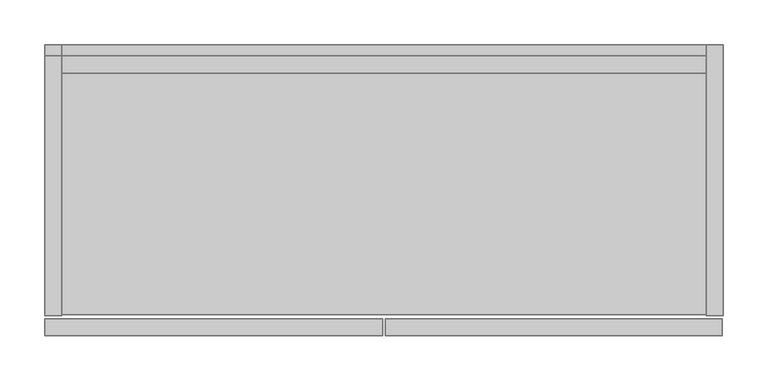
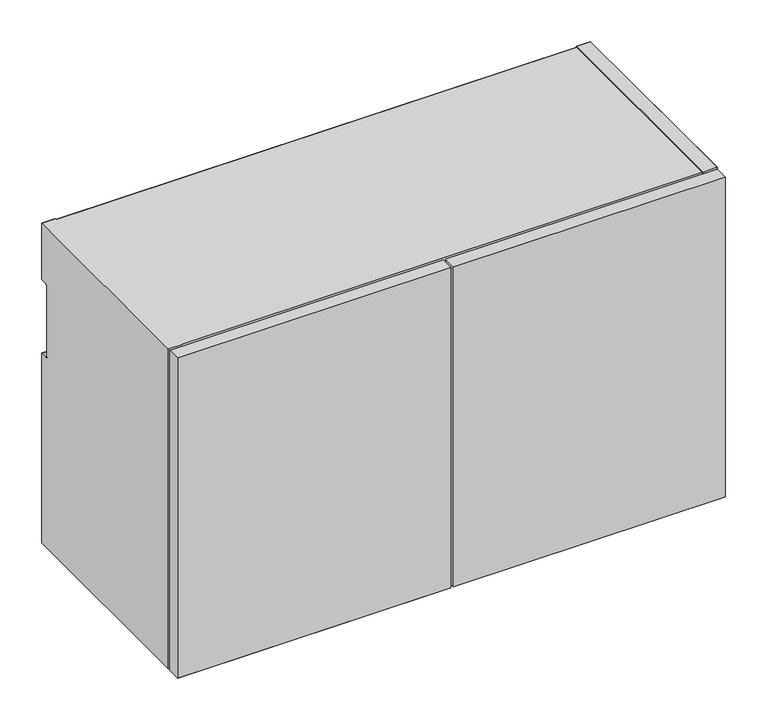
"""IFC4 building model written with IfcOpenShell, lengths in millimetres: furniture geometry."""

from ifc_helpers import new_model, si_unit, origin, place, context, project, spatial, triangles, source, transform, mapped, element, save


def furniture_0a8876ea(model_context):
    return source(origin(), model_context, "Body", "Tessellation", [
        triangles([(382.5875121, -327.0249879, 469.8999879), (382.5875121, -327.0249879, 1.21e-05), (760.4125242, -327.0249879, 469.8999879), (760.4125242, -327.0249879, 1.21e-05), (382.5875121, -307.7210063, 1.21e-05), (382.5875121, -307.7210063, 469.8999879), (760.4125242, -307.7210063, 469.8999879), (760.4125242, -307.7210063, 1.21e-05), (0.0, -327.0249879, 469.8999879), (0.0, -327.0249879, 1.21e-05), (379.4124879, -327.0249879, 1.21e-05), (379.4124879, -327.0249879, 469.8999879), (0.0, -307.7210063, 1.21e-05), (0.0, -307.7210063, 469.8999879), (379.4124879, -307.7210063, 469.8999879), (379.4124879, -307.7210063, 1.21e-05), (742.6960184, -304.5460002, 469.8999879), (742.6960184, -304.5460002, 1.21e-05), (762.0, -304.5460002, 1.21e-05), (762.0, -304.5460002, 469.8999879), (742.6960184, 0.0, 1.21e-05), (742.6960184, 0.0, 469.8999879), (762.0, 0.0, 469.8999879), (762.0, 0.0, 1.21e-05), (19.3039998, -303.0220017, 20.8279915), (19.3039998, -303.0220017, 1.5240106), (742.6960184, -303.0220017, 1.5240106), (742.6960184, -303.0220017, 20.8279915), (19.3039998, -12.7000004, 1.5240106), (19.3039998, -12.7000004, 20.8279915), (742.6960184, -12.7000004, 20.8279915), (742.6960184, -12.7000004, 1.5240106), (742.6960184, -32.003999, 20.8279915), (742.6960184, -12.7000004, 450.5960063), (742.6960184, -32.003999, 450.5960063), (19.3039998, -12.7000004, 450.5960063), (19.3039998, -32.003999, 20.8279915), (19.3039998, -32.003999, 450.5960063), (0.0, -304.5460002, 469.8999879), (0.0, -304.5460002, 1.21e-05), (19.3039998, -304.5460002, 1.21e-05), (19.3039998, -304.5460002, 469.8999879), (0.0, 0.0, 386.8419763), (0.0, 0.0, 469.8999879), (19.3039998, 0.0, 469.8999879), (19.3039998, 0.0, 386.8419763), (0.0, 0.0, 1.21e-05), (0.0, 0.0, 278.8919702), (19.3039998, 0.0, 278.8919702), (19.3039998, 0.0, 1.21e-05), (0.0, -11.1124996, 279.3173803), (0.0, -11.7700642, 279.821928), (0.0, -9.525, 278.8919702), (0.0, -10.346751, 279.0001758), (0.0, -11.1127244, 386.4167115), (0.0, -11.7701959, 385.9121638), (0.0, -9.5254485, 386.8419763), (0.0, -10.3470826, 386.7338433), (0.0, -12.5918141, 281.2452423), (0.0, -12.2746312, 280.4795187), (0.0, -12.7000004, 282.0669944), (0.0, -12.2746902, 385.2547185), (0.0, -12.59183, 384.4890676), (0.0, -12.7000004, 383.6674607), (19.3039998, -11.1127244, 386.4167115), (19.3039998, -11.7701959, 385.9121638), (19.3039998, -9.5254485, 386.8419763), (19.3039998, -10.3470826, 386.7338433), (19.3039998, -11.1124996, 279.3173803), (19.3039998, -11.7700642, 279.821928), (19.3039998, -9.525, 278.8919702), (19.3039998, -10.346751, 279.0001758), (19.3039998, -12.2746902, 385.2547185), (19.3039998, -12.59183, 384.4890676), (19.3039998, -12.7000004, 383.6674607), (19.3039998, -12.7000004, 282.0669944), (19.3039998, -12.2746312, 280.4795187), (19.3039998, -12.5918141, 281.2452423), (19.3039998, -303.0220017, 468.375953), (19.3039998, -303.0220017, 450.5960063), (742.6960184, -303.0220017, 450.5960063), (742.6960184, -303.0220017, 468.375953), (19.3039998, 0.0, 450.5960063), (19.3039998, 0.0, 468.375953), (742.6960184, 0.0, 468.375953), (742.6960184, 0.0, 450.5960063)], [[1, 2, 3], [2, 4, 3], [5, 6, 7], [5, 7, 8], [3, 7, 6], [3, 6, 1], [2, 1, 6], [2, 6, 5], [4, 2, 5], [4, 5, 8], [4, 8, 7], [4, 7, 3], [9, 10, 11], [9, 11, 12], [13, 14, 15], [13, 15, 16], [12, 15, 14], [12, 14, 9], [10, 9, 14], [10, 14, 13], [11, 10, 13], [11, 13, 16], [11, 16, 15], [11, 15, 12], [17, 18, 19], [17, 19, 20], [21, 22, 23], [21, 23, 24], [20, 23, 22], [20, 22, 17], [18, 17, 22], [18, 22, 21], [19, 18, 21], [19, 21, 24], [19, 24, 23], [19, 23, 20], [25, 26, 27], [25, 27, 28], [29, 30, 31], [29, 31, 32], [28, 31, 30], [28, 30, 25], [29, 26, 25], [29, 25, 30], [32, 27, 26], [32, 26, 29], [27, 32, 31], [27, 31, 28], [33, 31, 34], [33, 34, 35], [36, 30, 37], [36, 37, 38], [35, 38, 37], [35, 37, 33], [30, 31, 33], [30, 33, 37], [36, 34, 31], [36, 31, 30], [34, 36, 38], [34, 38, 35], [39, 40, 41], [39, 41, 42], [43, 44, 45], [43, 45, 46], [47, 48, 49], [47, 49, 50], [42, 45, 44], [42, 44, 39], [51, 47, 52], [53, 47, 54], [53, 48, 47], [51, 54, 47], [55, 56, 44], [44, 57, 58], [57, 44, 43], [58, 55, 44], [59, 60, 40], [40, 60, 52], [40, 52, 47], [59, 40, 39], [59, 39, 61], [44, 56, 62], [62, 63, 39], [62, 39, 44], [64, 39, 63], [39, 64, 61], [50, 41, 40], [50, 40, 47], [65, 45, 66], [67, 45, 68], [67, 46, 45], [65, 68, 45], [69, 70, 50], [50, 71, 72], [71, 50, 49], [72, 69, 50], [45, 73, 66], [73, 45, 42], [73, 42, 74], [75, 74, 42], [75, 42, 76], [70, 77, 50], [77, 41, 50], [77, 78, 41], [78, 76, 42], [78, 42, 41], [63, 74, 75], [63, 75, 64], [74, 63, 62], [74, 62, 73], [73, 62, 56], [73, 56, 66], [55, 65, 66], [55, 66, 56], [65, 55, 58], [65, 58, 68], [68, 58, 57], [68, 57, 67], [75, 76, 61], [75, 61, 64], [54, 72, 71], [54, 71, 53], [72, 54, 51], [72, 51, 69], [69, 51, 52], [69, 52, 70], [60, 77, 70], [60, 70, 52], [77, 60, 59], [77, 59, 78], [78, 59, 61], [78, 61, 76], [71, 49, 48], [71, 48, 53], [46, 67, 57], [46, 57, 43], [79, 80, 81], [79, 81, 82], [83, 84, 85], [83, 85, 86], [82, 85, 84], [82, 84, 79], [80, 79, 84], [80, 84, 83], [86, 81, 80], [86, 80, 83], [81, 86, 85], [81, 85, 82]], closed=False),
    ])


if __name__ == "__main__":
    model = new_model("IFC4")
    model_context = context("Model", 3, world=origin())
    ifc_project = project(units=[si_unit("LENGTHUNIT", "METRE", prefix="MILLI")], contexts=[model_context])
    site = spatial("IfcSite", under=ifc_project)
    building = spatial("IfcBuilding", under=site)
    placement = place(None, origin())
    furniture_shape = furniture_0a8876ea(model_context)
    element("IfcFurniture", 1, at=placement, inside=building, context=model_context, shape_type="MappedRepresentation", body=[
        mapped(furniture_shape, transform((0.0, 0.0, 0.0), x_axis=(1.0, 0.0, 0.0), y_axis=(0.0, 1.0, 0.0), z_axis=(0.0, 0.0, 1.0))),
    ])
    save(model, "model.ifc")
